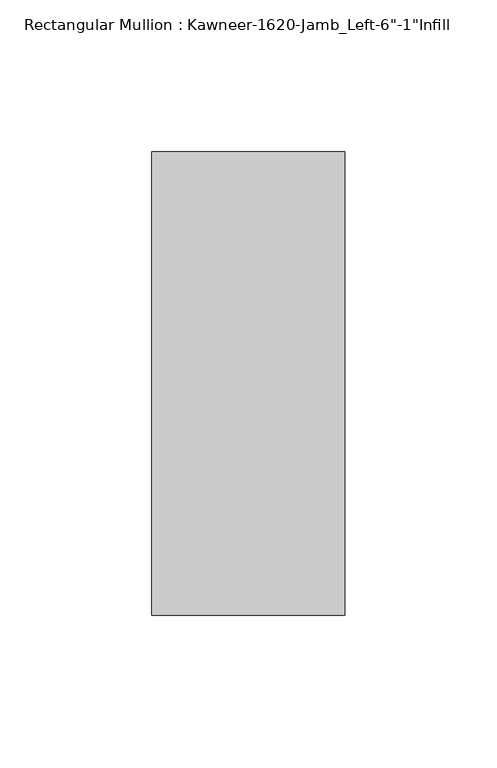
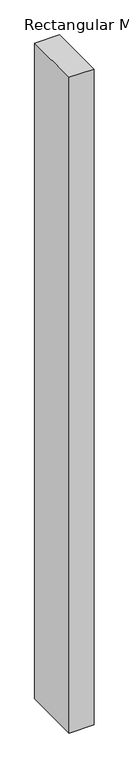
"""IFC4 building model written with IfcOpenShell, lengths in millimetres: member geometry."""

from ifc_helpers import new_model, si_unit, frame, origin, place, context, project, spatial, polyline, outline, extrude, source, transform, mapped, element, save


def member_8757485d(model_context):
    return source(origin(), model_context, "Body", "SweptSolid", [
        extrude(outline(polyline([(22.225, 38.1), (22.225, -114.3), (-41.275, -114.3), (-41.275, 38.1), (22.225, 38.1)])), frame((0.0, 0.0, -1765.3), z_axis=(0.0, 0.0, 1.0), x_axis=(1.0, 0.0, 0.0)), (0.0, 0.0, 1.0), 1765.3),
    ])


if __name__ == "__main__":
    model = new_model("IFC4")
    model_context = context("Model", 3, world=origin())
    ifc_project = project(units=[si_unit("LENGTHUNIT", "METRE", prefix="MILLI")], contexts=[model_context])
    site = spatial("IfcSite", under=ifc_project)
    building = spatial("IfcBuilding", under=site)
    placement = place(None, origin())
    member_shape = member_8757485d(model_context)
    element("IfcMember", 1, ObjectType="Rectangular Mullion : Kawneer-1620-Jamb_Left-6\"-1\"Infill", at=placement, inside=building, context=model_context, shape_type="MappedRepresentation", body=[
        mapped(member_shape, transform((0.0, 0.0, 0.0), x_axis=(1.0, 0.0, 0.0), y_axis=(0.0, 1.0, 0.0), z_axis=(0.0, 0.0, 1.0))),
    ])
    save(model, "model.ifc")
